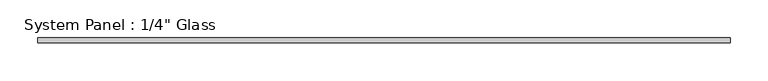
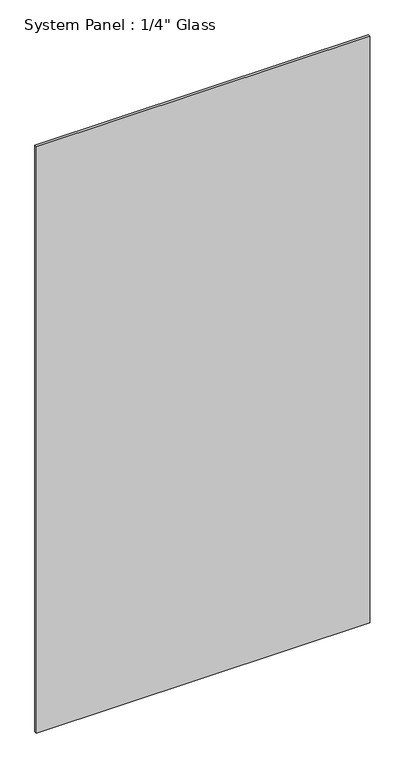
"""IFC4 building model written with IfcOpenShell, lengths in millimetres: plate geometry."""

from ifc_helpers import new_model, si_unit, origin, origin_with_axes, place, context, project, spatial, polyline, outline, extrude, source, transform, mapped, element, save


def plate_884efd96(model_context):
    return source(origin(), model_context, "Body", "SweptSolid", [
        extrude(outline(polyline([(455.9275946, -3.175), (-455.9275946, -3.175), (-455.9275946, 3.175), (455.9275946, 3.175), (455.9275946, -3.175)])), origin_with_axes(), (0.0, 0.0, 1.0), 1695.45),
    ])


if __name__ == "__main__":
    model = new_model("IFC4")
    model_context = context("Model", 3, world=origin())
    ifc_project = project(units=[si_unit("LENGTHUNIT", "METRE", prefix="MILLI")], contexts=[model_context])
    site = spatial("IfcSite", under=ifc_project)
    building = spatial("IfcBuilding", under=site)
    placement = place(None, origin())
    plate_shape = plate_884efd96(model_context)
    element("IfcPlate", 1, ObjectType="System Panel : 1/4\" Glass", at=placement, inside=building, context=model_context, shape_type="MappedRepresentation", body=[
        mapped(plate_shape, transform((0.0, 0.0, 0.0), x_axis=(1.0, 0.0, 0.0), y_axis=(0.0, 1.0, 0.0), z_axis=(0.0, 0.0, 1.0))),
    ])
    save(model, "model.ifc")
